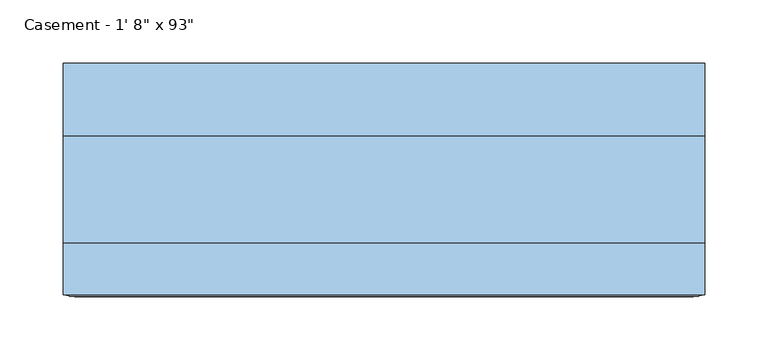
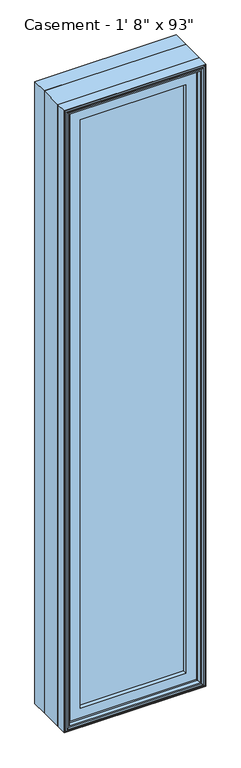
"""IFC4 building model written with IfcOpenShell, lengths in millimetres: window geometry."""

from ifc_helpers import new_model, si_unit, frame, origin, place, context, project, spatial, polyline, outline, extrude, faceted_brep, source, transform, mapped, element, save


def window_09adbebe(model_context):
    return source(origin(), model_context, "Body", "SolidModel", [
        extrude(outline(polyline([(202.009375, -61.3770729), (202.009375, -78.8395729), (-201.9849783, -78.8395729), (-201.9849783, -61.3770729), (202.009375, -61.3770729)])), frame((0.0, 0.0, 971.5119), z_axis=(0.0, 0.0, 1.0), x_axis=(1.0, 0.0, 0.0)), (0.0, 0.0, 1.0), 2247.9762),
        extrude(outline(polyline([(3276.6, -254.0), (914.4, -254.0), (914.4, 254.0), (3276.6, 254.0), (3276.6, -254.0)]), holes=[polyline([(930.275, -238.125), (3260.725, -238.125), (3260.725, 238.125), (930.275, 238.125), (930.275, -238.125)])]), frame((0.0, 18.8515625, 0.0), z_axis=(0.0, 1.0, 0.0), x_axis=(0.0, 0.0, 1.0)), (0.0, 0.0, 1.0), 57.3484375),
        faceted_brep([(-201.9849783, -61.3770729, 966.4150217), (-201.9849783, -61.3770729, 3224.5849783), (-201.9849783, -78.8395729, 3224.5849783), (-201.9849783, -78.8395729, 966.4150217), (-190.3015625, -60.1793953, 978.0984375), (-190.3015625, -60.1793953, 3212.9015625), (-190.3015625, -61.3770729, 3212.9015625), (-190.3015625, -61.3770729, 978.0984375), (-193.0498111, -47.2499024, 975.3501889), (-193.0498111, -47.2499024, 3215.6498111), (-221.0341084, -78.8395729, 947.3658916), (-221.0341084, -78.8395729, 3243.6341084), (-221.0341084, -47.2499024, 3243.6341084), (-221.0341084, -47.2499024, 947.3658916), (201.9849783, -61.3770729, 3224.5849783), (201.9849783, -78.8395729, 3224.5849783), (190.3015625, -60.1793953, 3212.9015625), (190.3015625, -61.3770729, 3212.9015625), (193.0498111, -47.2499024, 3215.6498111), (221.0341084, -78.8395729, 3243.6341084), (221.0341084, -47.2499024, 3243.6341084), (201.9849783, -61.3770729, 966.4150217), (201.9849783, -78.8395729, 966.4150217), (190.3015625, -60.1793953, 978.0984375), (190.3015625, -61.3770729, 978.0984375), (193.0498111, -47.2499024, 975.3501889), (221.0341084, -78.8395729, 947.3658916), (221.0341084, -47.2499024, 947.3658916)], [[[0, 1, 2, 3]], [[4, 5, 6, 7]], [[8, 9, 5, 4]], [[10, 11, 12, 13]], [[1, 14, 15, 2]], [[5, 16, 17, 6]], [[9, 18, 16, 5]], [[11, 19, 20, 12]], [[14, 21, 22, 15]], [[16, 23, 24, 17]], [[18, 25, 23, 16]], [[19, 26, 27, 20]], [[11, 10, 26, 19], [3, 2, 15, 22]], [[21, 0, 3, 22]], [[1, 0, 21, 14], [7, 6, 17, 24]], [[23, 4, 7, 24]], [[25, 8, 4, 23]], [[13, 12, 20, 27], [9, 8, 25, 18]], [[26, 10, 13, 27]]]),
        extrude(outline(polyline([(3249.7033048, -227.1033048), (941.2966952, -227.1033048), (941.2966952, 227.1033048), (3249.7033048, 227.1033048), (3249.7033048, -227.1033048)]), holes=[polyline([(978.0984375, -190.3015625), (3212.9015625, -190.3015625), (3212.9015625, 190.3015625), (978.0984375, 190.3015625), (978.0984375, -190.3015625)])]), frame((0.0, -94.2883505, 0.0), z_axis=(0.0, 1.0, 0.0), x_axis=(0.0, 0.0, 1.0)), (0.0, 0.0, 1.0), 15.4487776),
        faceted_brep([(-239.4220166, -106.5736375, 928.9779834), (-239.4220166, -106.5736375, 3262.0220166), (-244.755345, -108.1484375, 3267.355345), (-244.755345, -108.1484375, 923.644655), (-234.5526868, -91.7927591, 933.8473132), (-234.5526868, -91.7927591, 3257.1526868), (-234.5526868, -106.5736375, 3257.1526868), (-234.5526868, -106.5736375, 933.8473132), (-233.3244, -77.6195591, 935.0756), (-233.3244, -77.6195591, 3255.9244), (-233.3244, -66.471779, 935.0756), (-233.3244, -66.471779, 3255.9244), (-254.0, -106.9932773, 914.4), (-254.0, -106.9932773, 3276.6), (-254.0, -66.471779, 3276.6), (-254.0, -66.471779, 914.4), (-251.714, -98.4241649, 916.686), (-251.714, -98.4241649, 3274.314), (-251.714, -106.9932773, 3274.314), (-251.714, -106.9932773, 916.686), (-248.9962, -108.1484375, 919.4038), (-248.9962, -108.1484375, 3271.5962), (-248.9962, -98.4241649, 3271.5962), (-248.9962, -98.4241649, 919.4038), (239.4220166, -106.5736375, 3262.0220166), (244.755345, -108.1484375, 3267.355345), (234.5526868, -91.7927591, 3257.1526868), (234.5526868, -106.5736375, 3257.1526868), (233.3244, -77.6195591, 3255.9244), (233.3244, -66.471779, 3255.9244), (254.0, -106.9932773, 3276.6), (254.0, -66.471779, 3276.6), (251.714, -98.4241649, 3274.314), (251.714, -106.9932773, 3274.314), (248.9962, -108.1484375, 3271.5962), (248.9962, -98.4241649, 3271.5962), (239.4220166, -106.5736375, 928.9779834), (244.755345, -108.1484375, 923.644655), (234.5526868, -91.7927591, 933.8473132), (234.5526868, -106.5736375, 933.8473132), (233.3244, -77.6195591, 935.0756), (233.3244, -66.471779, 935.0756), (254.0, -106.9932773, 914.4), (254.0, -66.471779, 914.4), (251.714, -98.4241649, 916.686), (251.714, -106.9932773, 916.686), (248.9962, -108.1484375, 919.4038), (248.9962, -98.4241649, 919.4038)], [[[0, 1, 2, 3]], [[4, 5, 6, 7]], [[8, 9, 5, 4]], [[10, 11, 9, 8]], [[12, 13, 14, 15]], [[16, 17, 18, 19]], [[20, 21, 22, 23]], [[1, 24, 25, 2]], [[5, 26, 27, 6]], [[9, 28, 26, 5]], [[11, 29, 28, 9]], [[13, 30, 31, 14]], [[17, 32, 33, 18]], [[21, 34, 35, 22]], [[24, 36, 37, 25]], [[26, 38, 39, 27]], [[28, 40, 38, 26]], [[29, 41, 40, 28]], [[30, 42, 43, 31]], [[32, 44, 45, 33]], [[34, 46, 47, 35]], [[36, 0, 3, 37]], [[1, 0, 36, 24], [7, 6, 27, 39]], [[38, 4, 7, 39]], [[40, 8, 4, 38]], [[41, 10, 8, 40]], [[15, 14, 31, 43], [11, 10, 41, 29]], [[42, 12, 15, 43]], [[13, 12, 42, 30], [19, 18, 33, 45]], [[44, 16, 19, 45]], [[17, 16, 44, 32], [23, 22, 35, 47]], [[46, 20, 23, 47]], [[21, 20, 46, 34], [3, 2, 25, 37]]]),
        faceted_brep([(-254.0, -66.471779, 914.4), (-254.0, -66.471779, 3276.6), (-254.0, 18.8515625, 3276.6), (-254.0, 18.8515625, 914.4), (-234.3404, -54.0563278, 934.0596), (-234.3404, -54.0563278, 3256.9404), (-234.3404, -66.471779, 3256.9404), (-234.3404, -66.471779, 934.0596), (-227.8634, -47.0093984, 940.5366), (-227.8634, -47.0093984, 3250.4634), (-227.8634, -54.0563278, 3250.4634), (-227.8634, -54.0563278, 940.5366), (-206.375, -27.2279649, 962.025), (-206.375, -27.2279649, 3228.975), (-206.375, -47.0093984, 3228.975), (-206.375, -47.0093984, 962.025), (-210.3374, 1.7772662, 958.0626), (-210.3374, 1.7772662, 3232.9374), (-210.3374, -27.2279649, 3232.9374), (-210.3374, -27.2279649, 958.0626), (254.0, -66.471779, 3276.6), (254.0, 18.8515625, 3276.6), (234.3404, -54.0563278, 3256.9404), (234.3404, -66.471779, 3256.9404), (227.8634, -47.0093984, 3250.4634), (227.8634, -54.0563278, 3250.4634), (206.375, -27.2279649, 3228.975), (206.375, -47.0093984, 3228.975), (210.3374, 1.7772662, 3232.9374), (210.3374, -27.2279649, 3232.9374), (254.0, -66.471779, 914.4), (254.0, 18.8515625, 914.4), (234.3404, -54.0563278, 934.0596), (234.3404, -66.471779, 934.0596), (227.8634, -47.0093984, 940.5366), (227.8634, -54.0563278, 940.5366), (206.375, -27.2279649, 962.025), (206.375, -47.0093984, 962.025), (210.3374, 1.7772662, 958.0626), (210.3374, -27.2279649, 958.0626), (-231.7761112, 18.8515625, 3254.3761112), (-231.7761112, 18.8515625, 936.6238888), (231.7761112, 18.8515625, 936.6238888), (231.7761112, 18.8515625, 3254.3761112), (-231.7761112, 1.7772662, 936.6238888), (-231.7761112, 1.7772662, 3254.3761112), (231.7761112, 1.7772662, 3254.3761112), (231.7761112, 1.7772662, 936.6238888)], [[[0, 1, 2, 3]], [[4, 5, 6, 7]], [[8, 9, 10, 11]], [[12, 13, 14, 15]], [[16, 17, 18, 19]], [[1, 20, 21, 2]], [[5, 22, 23, 6]], [[9, 24, 25, 10]], [[13, 26, 27, 14]], [[17, 28, 29, 18]], [[20, 30, 31, 21]], [[22, 32, 33, 23]], [[24, 34, 35, 25]], [[26, 36, 37, 27]], [[28, 38, 39, 29]], [[3, 2, 21, 31], [40, 41, 42, 43]], [[30, 0, 3, 31]], [[1, 0, 30, 20], [7, 6, 23, 33]], [[32, 4, 7, 33]], [[5, 4, 32, 22], [11, 10, 25, 35]], [[34, 8, 11, 35]], [[9, 8, 34, 24], [15, 14, 27, 37]], [[36, 12, 15, 37]], [[19, 18, 29, 39], [13, 12, 36, 26]], [[38, 16, 19, 39]], [[44, 45, 46, 47], [17, 16, 38, 28]], [[41, 40, 45, 44]], [[40, 43, 46, 45]], [[43, 42, 47, 46]], [[42, 41, 44, 47]]]),
    ])


if __name__ == "__main__":
    model = new_model("IFC4")
    model_context = context("Model", 3, world=origin())
    ifc_project = project(units=[si_unit("LENGTHUNIT", "METRE", prefix="MILLI")], contexts=[model_context])
    site = spatial("IfcSite", under=ifc_project)
    building = spatial("IfcBuilding", under=site)
    placement = place(None, origin())
    window_shape = window_09adbebe(model_context)
    element("IfcWindow", 1, ObjectType="Casement - 1' 8\" x 93\"", at=placement, inside=building, context=model_context, shape_type="MappedRepresentation", body=[
        mapped(window_shape, transform((0.0, 0.0, 0.0), x_axis=(1.0, 0.0, 0.0), y_axis=(0.0, 1.0, 0.0), z_axis=(0.0, 0.0, 1.0))),
    ])
    save(model, "model.ifc")
